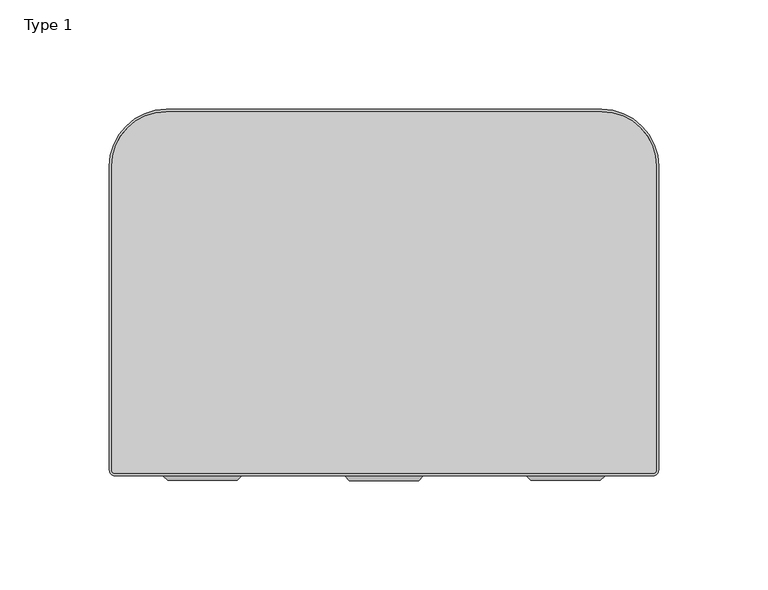
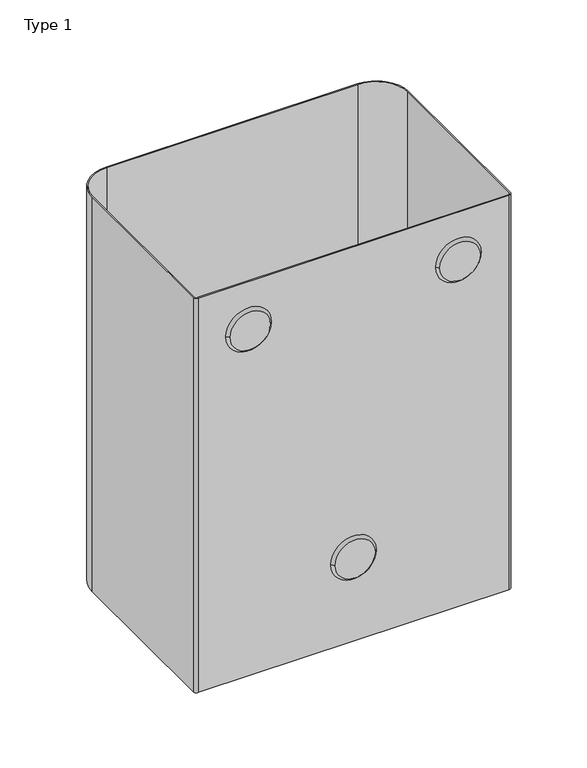
"""IFC4 building model written with IfcOpenShell, lengths in millimetres: furniture geometry, Type 1."""

from ifc_helpers import new_model, si_unit, point, frame, frame_2d, origin, origin_with_axes, place, context, project, spatial, polyline, circle_curve, trimmed, segment, composite_curve, outline, extrude, source, transform, mapped, element, save
from ifc_brep_helpers import plane_surface, revolved_surface, advanced_brep


def type_1_faf3a1b1(model_context):
    return source(origin(), model_context, "Body", "SolidModel", [
        advanced_brep(
        [(140.8749985, 76.0, 70.0000014), (109.1250015, 76.0, 70.0000014), (143.0499997, 78.1750126, 70.0000014), (106.9500003, 78.1750126, 70.0000014)],
        [
            (0, 1, circle_curve(frame((125.0, 76.0, 70.0000014), z_axis=(0.0, -1.0, 0.0), x_axis=(1.0, 0.0, 0.0)), 15.8749985)),
            (1, 0, circle_curve(frame((125.0, 76.0, 70.0000014), z_axis=(0.0, -1.0, 0.0), x_axis=(-1.0, 0.0, 0.0)), 15.8749985)),
            (2, 3, circle_curve(frame((125.0, 78.1750126, 70.0000014), z_axis=(0.0, 1.0, 0.0), x_axis=(-1.0, 0.0, 0.0)), 18.0499997)),
            (3, 2, circle_curve(frame((125.0, 78.1750126, 70.0000014), z_axis=(0.0, 1.0, 0.0), x_axis=(1.0, 0.0, 0.0)), 18.0499997)),
            (2, 0),
            (1, 3),
        ],
        [
            plane_surface(frame((125.0, 76.0, 70.0000014), z_axis=(0.0, -1.0, 0.0), x_axis=(0.0, 0.0, -1.0))),
            plane_surface(frame((125.0, 78.1750126, 70.0000014), z_axis=(0.0, 1.0, 0.0), x_axis=(0.0, 0.0, -1.0))),
            revolved_surface(polyline([(109.12500153697395, 76.0, 70.0000014), (106.9500003, 78.1750126, 70.0000014)]), (125.0, 60.1249186, 70.0000014), (0.0, 1.0, 0.0)),
            revolved_surface(polyline([(140.87499846302603, 76.0, 70.0000014), (143.0499997, 78.1750126, 70.0000014)]), (125.0, 60.1249186, 70.0000014), (0.0, 1.0, 0.0)),
        ],
        [
            (0, [[1, 2]]),
            (1, [[3, 4]]),
            (2, [[-3, 5, -2, 6]]),
            (3, [[-4, -6, -1, -5]]),
        ],
    ),
        advanced_brep(
        [(26.1249998, 76.0, 289.9999949), (57.8749968, 76.0, 289.9999949), (23.9499986, 78.1750126, 289.9999949), (60.049998, 78.1750126, 289.9999949)],
        [
            (0, 1, circle_curve(frame((41.9999983, 76.0, 289.9999949), z_axis=(0.0, -1.0, 0.0), x_axis=(-1.0, 0.0, 0.0)), 15.8749985)),
            (1, 0, circle_curve(frame((41.9999983, 76.0, 289.9999949), z_axis=(0.0, -1.0, 0.0), x_axis=(1.0, 0.0, 0.0)), 15.8749985)),
            (2, 3, circle_curve(frame((41.9999983, 78.1750126, 289.9999949), z_axis=(0.0, 1.0, 0.0), x_axis=(1.0, 0.0, 0.0)), 18.0499997)),
            (3, 2, circle_curve(frame((41.9999983, 78.1750126, 289.9999949), z_axis=(0.0, 1.0, 0.0), x_axis=(-1.0, 0.0, 0.0)), 18.0499997)),
            (3, 1),
            (0, 2),
        ],
        [
            plane_surface(frame((41.9999983, 76.0, 289.9999949), z_axis=(0.0, -1.0, 0.0), x_axis=(0.0, 0.0, 1.0))),
            plane_surface(frame((41.9999983, 78.1750126, 289.9999949), z_axis=(0.0, 1.0, 0.0), x_axis=(0.0, 0.0, 1.0))),
            revolved_surface(polyline([(26.12499983697396, 76.0, 289.9999949), (23.9499986, 78.1750126, 289.9999949)]), (41.9999983, 60.1249186, 289.9999949), (0.0, 1.0, 0.0)),
            revolved_surface(polyline([(57.87499676302605, 76.0, 289.9999949), (60.049998, 78.1750126, 289.9999949)]), (41.9999983, 60.1249186, 289.9999949), (0.0, 1.0, 0.0)),
        ],
        [
            (0, [[1, 2]]),
            (1, [[3, 4]]),
            (2, [[-4, 5, -1, 6]]),
            (3, [[-3, -6, -2, -5]]),
        ],
    ),
        advanced_brep(
        [(223.8750002, 76.0, 289.9999949), (192.1250032, 76.0, 289.9999949), (226.0500014, 78.1750126, 289.9999949), (189.950002, 78.1750126, 289.9999949)],
        [
            (0, 1, circle_curve(frame((208.0000017, 76.0, 289.9999949), z_axis=(0.0, -1.0, 0.0), x_axis=(1.0, 0.0, 0.0)), 15.8749985)),
            (1, 0, circle_curve(frame((208.0000017, 76.0, 289.9999949), z_axis=(0.0, -1.0, 0.0), x_axis=(-1.0, 0.0, 0.0)), 15.8749985)),
            (2, 3, circle_curve(frame((208.0000017, 78.1750126, 289.9999949), z_axis=(0.0, 1.0, 0.0), x_axis=(-1.0, 0.0, 0.0)), 18.0499997)),
            (3, 2, circle_curve(frame((208.0000017, 78.1750126, 289.9999949), z_axis=(0.0, 1.0, 0.0), x_axis=(1.0, 0.0, 0.0)), 18.0499997)),
            (2, 0),
            (1, 3),
        ],
        [
            plane_surface(frame((208.0000017, 76.0, 289.9999949), z_axis=(0.0, -1.0, 0.0), x_axis=(0.0, 0.0, -1.0))),
            plane_surface(frame((208.0000017, 78.1750126, 289.9999949), z_axis=(0.0, 1.0, 0.0), x_axis=(0.0, 0.0, -1.0))),
            revolved_surface(polyline([(192.12500323697398, 76.0, 289.9999949), (189.950002, 78.1750126, 289.9999949)]), (208.0000017, 60.1249186, 289.9999949), (0.0, 1.0, 0.0)),
            revolved_surface(polyline([(223.87500016302604, 76.0, 289.9999949), (226.0500014, 78.1750126, 289.9999949)]), (208.0000017, 60.1249186, 289.9999949), (0.0, 1.0, 0.0)),
        ],
        [
            (0, [[1, 2]]),
            (1, [[3, 4]]),
            (2, [[-3, 5, -2, 6]]),
            (3, [[-4, -6, -1, -5]]),
        ],
    ),
        extrude(outline(composite_curve([segment(polyline([(249.5000011, 219.5749691), (249.5000011, 80.6750126)]), True, "CONTINUOUS"), segment(trimmed(circle_curve(frame_2d((248.0000011, 80.6750126)), 1.5), [point((249.5000011, 80.6750126))], [point((248.0000011, 79.1750126))], False, "CARTESIAN"), True, "CONTINUOUS"), segment(polyline([(248.0000011, 79.1750126), (2.0000057, 79.1750126)]), True, "CONTINUOUS"), segment(trimmed(circle_curve(frame_2d((2.0000057, 80.6750126)), 1.5), [point((2.0000057, 79.1750126))], [point((0.5000057, 80.6750126))], False, "CARTESIAN"), True, "CONTINUOUS"), segment(polyline([(0.5000057, 80.6750126), (0.5000057, 219.5749691)]), True, "CONTINUOUS"), segment(trimmed(circle_curve(frame_2d((25.5000057, 219.5749691)), 25.0), [point((0.5000057, 219.5749691))], [point((25.5000057, 244.5749691))], False, "CARTESIAN"), True, "CONTINUOUS"), segment(polyline([(25.5000057, 244.5749691), (224.5000011, 244.5749691)]), True, "CONTINUOUS"), segment(trimmed(circle_curve(frame_2d((224.5000011, 219.5749691)), 25.0), [point((224.5000011, 244.5749691))], [point((249.5000011, 219.5749691))], False, "CARTESIAN"), True, "CONTINUOUS")], self_intersect=False)), frame((0.0, 0.0, 15.6000005), z_axis=(0.0, 0.0, 1.0), x_axis=(1.0, 0.0, 0.0)), (0.0, 0.0, 1.0), 0.9999991),
        extrude(outline(composite_curve([segment(polyline([(250.5000011, 219.5749691), (250.5000011, 80.6750126)]), True, "CONTINUOUS"), segment(trimmed(circle_curve(frame_2d((248.0000011, 80.6750126)), 2.5), [point((250.5000011, 80.6750126))], [point((248.0000011, 78.1750126))], False, "CARTESIAN"), True, "CONTINUOUS"), segment(polyline([(248.0000011, 78.1750126), (2.0000057, 78.1750126)]), True, "CONTINUOUS"), segment(trimmed(circle_curve(frame_2d((2.0000057, 80.6750126)), 2.5), [point((2.0000057, 78.1750126))], [point((-0.4999943, 80.6750126))], False, "CARTESIAN"), True, "CONTINUOUS"), segment(polyline([(-0.4999943, 80.6750126), (-0.4999943, 219.5749691)]), True, "CONTINUOUS"), segment(trimmed(circle_curve(frame_2d((25.5000057, 219.5749691)), 26.0), [point((-0.4999943, 219.5749691))], [point((25.5000057, 245.5749691))], False, "CARTESIAN"), True, "CONTINUOUS"), segment(polyline([(25.5000057, 245.5749691), (224.5000011, 245.5749691)]), True, "CONTINUOUS"), segment(trimmed(circle_curve(frame_2d((224.5000011, 219.5749691)), 26.0), [point((224.5000011, 245.5749691))], [point((250.5000011, 219.5749691))], False, "CARTESIAN"), True, "CONTINUOUS")], self_intersect=False), holes=[composite_curve([segment(trimmed(circle_curve(frame_2d((224.5000011, 219.5749691)), 25.0), [point((249.5000011, 219.5749691))], [point((224.5000011, 244.5749691))], True, "CARTESIAN"), True, "CONTINUOUS"), segment(polyline([(224.5000011, 244.5749691), (25.5000057, 244.5749691)]), True, "CONTINUOUS"), segment(trimmed(circle_curve(frame_2d((25.5000057, 219.5749691)), 25.0), [point((25.5000057, 244.5749691))], [point((0.5000057, 219.5749691))], True, "CARTESIAN"), True, "CONTINUOUS"), segment(polyline([(0.5000057, 219.5749691), (0.5000057, 80.6750126)]), True, "CONTINUOUS"), segment(trimmed(circle_curve(frame_2d((2.0000057, 80.6750126)), 1.5), [point((0.5000057, 80.6750126))], [point((2.0000057, 79.1750126))], True, "CARTESIAN"), True, "CONTINUOUS"), segment(polyline([(2.0000057, 79.1750126), (248.0000011, 79.1750126)]), True, "CONTINUOUS"), segment(trimmed(circle_curve(frame_2d((248.0000011, 80.6750126)), 1.5), [point((248.0000011, 79.1750126))], [point((249.5000011, 80.6750126))], True, "CARTESIAN"), True, "CONTINUOUS"), segment(polyline([(249.5000011, 80.6750126), (249.5000011, 219.5749691)]), True, "CONTINUOUS")], self_intersect=False)]), origin_with_axes(), (0.0, 0.0, 1.0), 329.999988),
    ])


if __name__ == "__main__":
    model = new_model("IFC4")
    model_context = context("Model", 3, world=origin())
    ifc_project = project(units=[si_unit("LENGTHUNIT", "METRE", prefix="MILLI")], contexts=[model_context])
    site = spatial("IfcSite", under=ifc_project)
    building = spatial("IfcBuilding", under=site)
    placement = place(None, origin())
    type_1_shape = type_1_faf3a1b1(model_context)
    element("IfcFurniture", 1, ObjectType="Type 1", at=placement, inside=building, context=model_context, shape_type="MappedRepresentation", body=[
        mapped(type_1_shape, transform((0.0, 0.0, 0.0), x_axis=(1.0, 0.0, 0.0), y_axis=(0.0, 1.0, 0.0), z_axis=(0.0, 0.0, 1.0))),
    ])
    save(model, "model.ifc")
